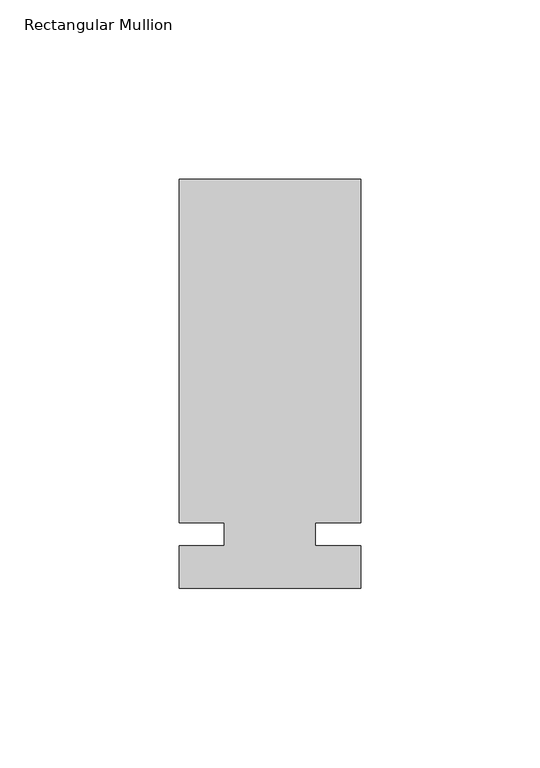
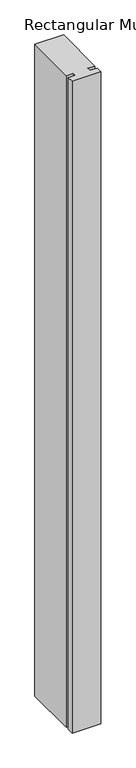
"""IFC4 building model written with IfcOpenShell, lengths in millimetres: member geometry, Rectangular Mullion."""

import ifcopenshell
import ifcopenshell.guid

model = None  # the IFC model being written
_history = None  # IfcOwnerHistory: only IFC2X3 demands one
_inside = {}  # id of a spatial element -> (the spatial element, [elements in it])
_under = {}  # id of a project, library or spatial element -> (it, [spatial elements below it])
_declared = {}  # id of a project -> (the project, [libraries it declares])
_typed = {}  # id of a type object -> (the type object, [elements of that type])
_made_of = {}  # id of a material, layer set ... -> (it, [elements and type objects made of it])


def new_model(schema):
    """Start an empty IFC model of exactly this schema.

    Asked for "IFC4X3", IfcOpenShell would pick the latest addendum, in which some entities
    have other attributes; the version numbers below select the first issue.
    IFC2X3 requires an IfcOwnerHistory on every rooted entity: one is made here for all.
    """
    global model, _history
    if schema == "IFC4X3":
        model = ifcopenshell.file(schema_version=(4, 3, 0, 0))
    else:
        model = ifcopenshell.file(schema=schema)
    _inside.clear()
    _under.clear()
    _declared.clear()
    _typed.clear()
    _made_of.clear()
    _history = None
    if model.schema == "IFC2X3":
        org = make("IfcOrganization", Name="unknown")
        user = make(
            "IfcPersonAndOrganization",
            ThePerson=make("IfcPerson", FamilyName="unknown"),
            TheOrganization=org,
        )
        app = make(
            "IfcApplication",
            ApplicationDeveloper=org,
            Version="unknown",
            ApplicationFullName="unknown",
            ApplicationIdentifier="unknown",
        )
        _history = make(
            "IfcOwnerHistory",
            OwningUser=user,
            OwningApplication=app,
            ChangeAction="ADDED",
            CreationDate=0,
        )
    return model


def make(cls, **values):
    """One entity of the class cls with the attributes given. An attribute that is None is left unset."""
    return model.create_entity(
        cls, **{name: value for name, value in values.items() if value is not None}
    )


def rooted(cls, **values):
    """An entity with a GlobalId (a new one), such as an element, a storey or a relation."""
    return make(cls, GlobalId=ifcopenshell.guid.new(), OwnerHistory=_history, **values)


def si_unit(unit_type, name, prefix=None):
    """IfcSIUnit, for example si_unit("LENGTHUNIT", "METRE", prefix="MILLI")."""
    return make("IfcSIUnit", UnitType=unit_type, Prefix=prefix, Name=name)


def assignment(units):
    """IfcUnitAssignment: the units of a project."""
    return None if units is None else make("IfcUnitAssignment", Units=units)


def point(xyz):
    """IfcCartesianPoint."""
    return None if xyz is None else make("IfcCartesianPoint", Coordinates=xyz)


def direction(xyz):
    """IfcDirection."""
    return None if xyz is None else make("IfcDirection", DirectionRatios=xyz)


def frame(location, z_axis=None, x_axis=None):
    """IfcAxis2Placement3D, a coordinate frame: its origin and axes. An axis left out is left unset."""
    return make(
        "IfcAxis2Placement3D",
        Location=point(location),
        Axis=direction(z_axis),
        RefDirection=direction(x_axis),
    )


def origin():
    """The frame at (0, 0, 0) with its axes left unset."""
    return frame((0.0, 0.0, 0.0))


def place(relative_to, where):
    """IfcLocalPlacement: puts the frame where relative to a parent placement (None: the world)."""
    return make(
        "IfcLocalPlacement", PlacementRelTo=relative_to, RelativePlacement=where
    )


def context(
    kind, dimensions, precision=None, world=None, true_north=None, identifier=None
):
    """IfcGeometricRepresentationContext, for example the 3D "Model" context."""
    return make(
        "IfcGeometricRepresentationContext",
        ContextIdentifier=identifier,
        ContextType=kind,
        CoordinateSpaceDimension=dimensions,
        Precision=precision,
        WorldCoordinateSystem=world,
        TrueNorth=true_north,
    )


def project(units=None, contexts=None):
    """IfcProject with its units and contexts."""
    return rooted(
        "IfcProject",
        Name="project",
        RepresentationContexts=contexts,
        UnitsInContext=assignment(units),
    )


def spatial(cls, under=None, at=None, **own):
    """A site, building, storey or space (cls), placed at a placement, below another one or the project."""
    s = rooted(cls, ObjectPlacement=at, **own)
    if under is not None:
        _under.setdefault(under.id(), (under, []))[1].append(s)
    return s


def polyline(points):
    """IfcPolyline through the points."""
    return make("IfcPolyline", Points=[point(p) for p in points])


def outline(outer, holes=None, kind="AREA"):
    """IfcArbitraryClosedProfileDef: a profile drawn as a closed curve; with holes, ...WithVoids."""
    if holes is None:
        return make("IfcArbitraryClosedProfileDef", ProfileType=kind, OuterCurve=outer)
    return make(
        "IfcArbitraryProfileDefWithVoids",
        ProfileType=kind,
        OuterCurve=outer,
        InnerCurves=holes,
    )


def extrude(swept, where, along, depth):
    """IfcExtrudedAreaSolid: the profile swept, set in the frame where, extruded along a direction by depth."""
    return make(
        "IfcExtrudedAreaSolid",
        SweptArea=swept,
        Position=where,
        ExtrudedDirection=direction(along),
        Depth=depth,
    )


def shape(context_of_items, identifier, shape_type, items):
    """IfcShapeRepresentation: the items that make up one representation, for example the "Body"."""
    return make(
        "IfcShapeRepresentation",
        ContextOfItems=context_of_items,
        RepresentationIdentifier=identifier,
        RepresentationType=shape_type,
        Items=items,
    )


def source(mapping_origin, context_of_items, identifier, shape_type, items):
    """IfcRepresentationMap: a shape defined once, which mapped items show again and again."""
    return make(
        "IfcRepresentationMap",
        MappingOrigin=mapping_origin,
        MappedRepresentation=shape(context_of_items, identifier, shape_type, items),
    )


def transform(
    local_origin,
    x_axis=None,
    y_axis=None,
    z_axis=None,
    scale=None,
    scale2=None,
    scale3=None,
    uniform=True,
):
    """IfcCartesianTransformationOperator3D, or its non-uniform kind. x_axis, y_axis, z_axis: its Axis1, 2, 3."""
    if uniform:
        return make(
            "IfcCartesianTransformationOperator3D",
            Axis1=direction(x_axis),
            Axis2=direction(y_axis),
            LocalOrigin=point(local_origin),
            Scale=scale,
            Axis3=direction(z_axis),
        )
    return make(
        "IfcCartesianTransformationOperator3DnonUniform",
        Axis1=direction(x_axis),
        Axis2=direction(y_axis),
        LocalOrigin=point(local_origin),
        Scale=scale,
        Axis3=direction(z_axis),
        Scale2=scale2,
        Scale3=scale3,
    )


def mapped(mapping_source, mapping_target):
    """IfcMappedItem: shows the shape of a source again, moved by a transform."""
    return make(
        "IfcMappedItem", MappingSource=mapping_source, MappingTarget=mapping_target
    )


def made_of(thing, what):
    """Note that an element or type object is made of a material, layer set ...; save() writes the relation."""
    if what is not None:
        _made_of.setdefault(what.id(), (what, []))[1].append(thing)
    return thing


def element(
    cls,
    number,
    at=None,
    inside=None,
    cuts=None,
    type_object=None,
    material=None,
    context=None,
    identifier="Body",
    shape_type=None,
    held_by="IfcProductDefinitionShape",
    body=None,
    shapes=None,
    **own,
):
    """One element of the class cls, such as IfcWall. Its Tag is "e" and its number.

    at: its placement. inside: the storey or other place that contains it. cuts: it is an
    opening in that element (IfcRelVoidsElement). A single representation is given by context,
    identifier, shape_type and body (its items); several are given by shapes. held_by: the class
    of the entity that holds the representations. save() writes the other relations.
    """
    e = rooted(cls, Tag="e%d" % number, ObjectPlacement=at, **own)
    if body is not None:
        shapes = [shape(context, identifier, shape_type, body)]
    if shapes is not None:
        e.Representation = make(held_by, Representations=shapes)
    if inside is not None:
        _inside.setdefault(inside.id(), (inside, []))[1].append(e)
    if cuts is not None:
        rooted(
            "IfcRelVoidsElement", RelatingBuildingElement=cuts, RelatedOpeningElement=e
        )
    if type_object is not None:
        _typed.setdefault(type_object.id(), (type_object, []))[1].append(e)
    return made_of(e, material)


def aggregate(whole, parts):
    """IfcRelAggregates: a whole, such as a stair, and the parts it consists of."""
    return rooted("IfcRelAggregates", RelatingObject=whole, RelatedObjects=parts)


def save(model, path):
    """Write the relations noted so far, then the file.

    IfcRelAggregates (storeys below a building ...), IfcRelContainedInSpatialStructure (elements
    in a storey), IfcRelDefinesByType, IfcRelAssociatesMaterial and IfcRelDeclares: one each for
    every whole, place, type object, material and project.
    """
    for whole, parts in _under.values():
        aggregate(whole, parts)
    for where, things in _inside.values():
        rooted(
            "IfcRelContainedInSpatialStructure",
            RelatedElements=things,
            RelatingStructure=where,
        )
    for kind, things in _typed.values():
        rooted("IfcRelDefinesByType", RelatedObjects=things, RelatingType=kind)
    for what, things in _made_of.values():
        rooted("IfcRelAssociatesMaterial", RelatedObjects=things, RelatingMaterial=what)
    for by, libraries in _declared.values():
        rooted("IfcRelDeclares", RelatingContext=by, RelatedDefinitions=libraries)
    model.write(path)


def rectangular_mullion_82cabded(model_context):
    return source(origin(), model_context, "Body", "SweptSolid", [
        extrude(outline(polyline([(29.7344027, 99.21875), (29.7344027, 3.175), (17.0326322, 3.175), (17.0326322, -3.175), (29.7344027, -3.175), (29.7344027, -15.08125), (-21.0655973, -15.08125), (-21.0655973, -3.175), (-8.3655973, -3.175), (-8.3655973, 3.175), (-21.0655973, 3.175), (-21.0655973, 99.21875), (29.7344027, 99.21875)])), frame((0.0, 0.0, -1219.2), z_axis=(0.0, 0.0, 1.0), x_axis=(1.0, 0.0, 0.0)), (0.0, 0.0, 1.0), 1219.2),
    ])


if __name__ == "__main__":
    model = new_model("IFC4")
    model_context = context("Model", 3, world=origin())
    ifc_project = project(units=[si_unit("LENGTHUNIT", "METRE", prefix="MILLI")], contexts=[model_context])
    site = spatial("IfcSite", under=ifc_project)
    building = spatial("IfcBuilding", under=site)
    placement = place(None, origin())
    rectangular_mullion_shape = rectangular_mullion_82cabded(model_context)
    element("IfcMember", 1, ObjectType="Rectangular Mullion", at=placement, inside=building, context=model_context, shape_type="MappedRepresentation", body=[
        mapped(rectangular_mullion_shape, transform((0.0, 0.0, 0.0), x_axis=(1.0, 0.0, 0.0), y_axis=(0.0, 1.0, 0.0), z_axis=(0.0, 0.0, 1.0))),
    ])
    save(model, "model.ifc")
